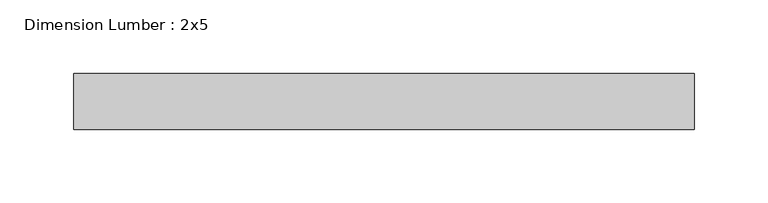
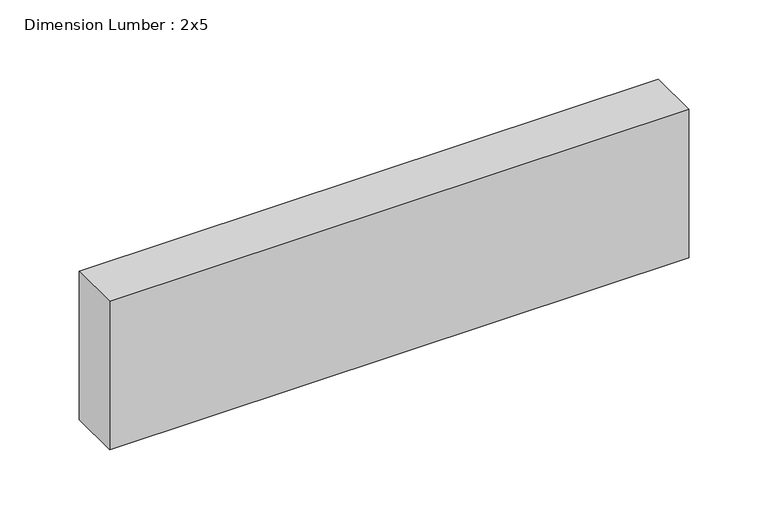
"""IFC4 building model written with IfcOpenShell, lengths in millimetres: beam geometry, Dimension Lumber : 2x5."""

from ifc_helpers import new_model, si_unit, frame, origin, place, context, project, spatial, polyline, outline, extrude, source, transform, mapped, element, save


def dimension_lumber_2x5_e77432e2(model_context):
    return source(origin(), model_context, "Body", "SweptSolid", [
        extrude(outline(polyline([(208.6137463, 19.05), (208.6137463, -19.05), (-212.9383619, -19.05), (-212.9383619, 19.05), (208.6137463, 19.05)])), frame((0.0, 0.0, -57.15), z_axis=(0.0, 0.0, 1.0), x_axis=(1.0, 0.0, 0.0)), (0.0, 0.0, 1.0), 114.3),
    ])


if __name__ == "__main__":
    model = new_model("IFC4")
    model_context = context("Model", 3, world=origin())
    ifc_project = project(units=[si_unit("LENGTHUNIT", "METRE", prefix="MILLI")], contexts=[model_context])
    site = spatial("IfcSite", under=ifc_project)
    building = spatial("IfcBuilding", under=site)
    placement = place(None, origin())
    dimension_lumber_2x5_shape = dimension_lumber_2x5_e77432e2(model_context)
    element("IfcBeam", 1, ObjectType="Dimension Lumber : 2x5", at=placement, inside=building, context=model_context, shape_type="MappedRepresentation", body=[
        mapped(dimension_lumber_2x5_shape, transform((0.0, 0.0, 0.0), x_axis=(1.0, 0.0, 0.0), y_axis=(0.0, 1.0, 0.0), z_axis=(0.0, 0.0, 1.0))),
    ])
    save(model, "model.ifc")
